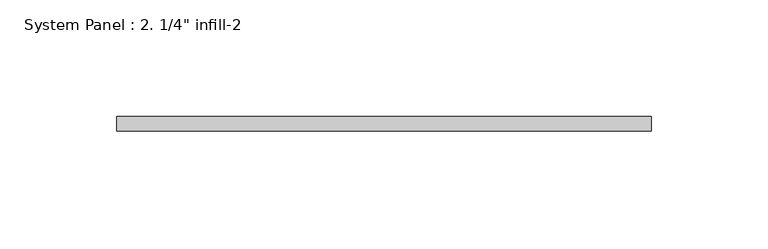
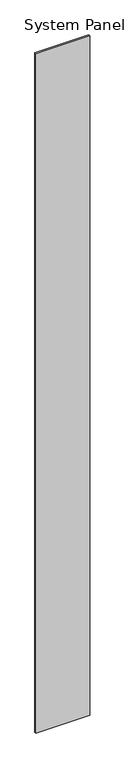
"""IFC4 building model written with IfcOpenShell, lengths in millimetres: plate geometry."""

from ifc_helpers import new_model, si_unit, origin, origin_with_axes, place, context, project, spatial, polyline, outline, extrude, source, transform, mapped, element, save


def plate_5384b2b5(model_context):
    return source(origin(), model_context, "Body", "SweptSolid", [
        extrude(outline(polyline([(114.6788165, 0.0), (-114.6788165, 0.0), (-114.6788165, 6.35), (114.6788165, 6.35), (114.6788165, 0.0)])), origin_with_axes(), (0.0, 0.0, 1.0), 3048.0),
    ])


if __name__ == "__main__":
    model = new_model("IFC4")
    model_context = context("Model", 3, world=origin())
    ifc_project = project(units=[si_unit("LENGTHUNIT", "METRE", prefix="MILLI")], contexts=[model_context])
    site = spatial("IfcSite", under=ifc_project)
    building = spatial("IfcBuilding", under=site)
    placement = place(None, origin())
    plate_shape = plate_5384b2b5(model_context)
    element("IfcPlate", 1, ObjectType="System Panel : 2. 1/4\" infill-2", at=placement, inside=building, context=model_context, shape_type="MappedRepresentation", body=[
        mapped(plate_shape, transform((0.0, 0.0, 0.0), x_axis=(1.0, 0.0, 0.0), y_axis=(0.0, 1.0, 0.0), z_axis=(0.0, 0.0, 1.0))),
    ])
    save(model, "model.ifc")
